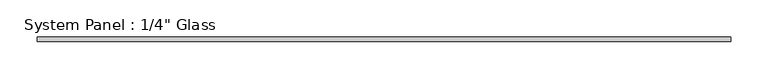
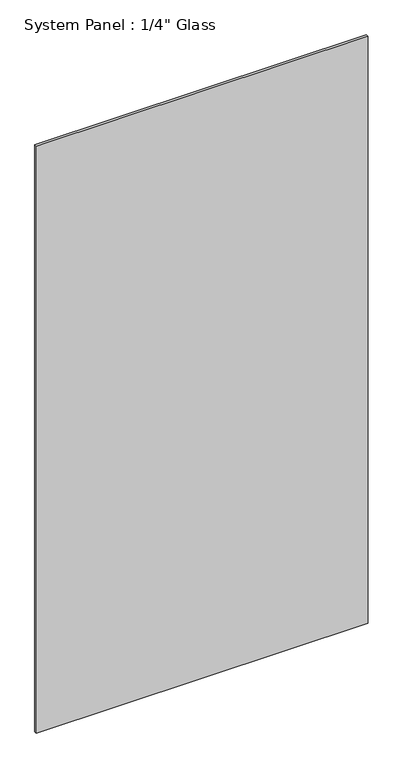
"""IFC4 building model written with IfcOpenShell, lengths in millimetres: plate geometry."""

from ifc_helpers import new_model, si_unit, origin, origin_with_axes, place, context, project, spatial, polyline, outline, extrude, source, transform, mapped, element, save


def plate_0ce93ba9(model_context):
    return source(origin(), model_context, "Body", "SweptSolid", [
        extrude(outline(polyline([(465.4525946, -3.175), (-465.4525946, -3.175), (-465.4525946, 3.175), (465.4525946, 3.175), (465.4525946, -3.175)])), origin_with_axes(), (0.0, 0.0, 1.0), 1739.9),
    ])


if __name__ == "__main__":
    model = new_model("IFC4")
    model_context = context("Model", 3, world=origin())
    ifc_project = project(units=[si_unit("LENGTHUNIT", "METRE", prefix="MILLI")], contexts=[model_context])
    site = spatial("IfcSite", under=ifc_project)
    building = spatial("IfcBuilding", under=site)
    placement = place(None, origin())
    plate_shape = plate_0ce93ba9(model_context)
    element("IfcPlate", 1, ObjectType="System Panel : 1/4\" Glass", at=placement, inside=building, context=model_context, shape_type="MappedRepresentation", body=[
        mapped(plate_shape, transform((0.0, 0.0, 0.0), x_axis=(1.0, 0.0, 0.0), y_axis=(0.0, 1.0, 0.0), z_axis=(0.0, 0.0, 1.0))),
    ])
    save(model, "model.ifc")
